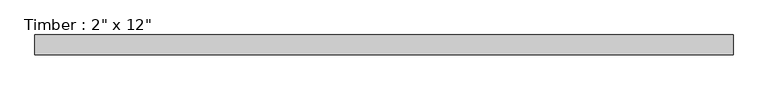
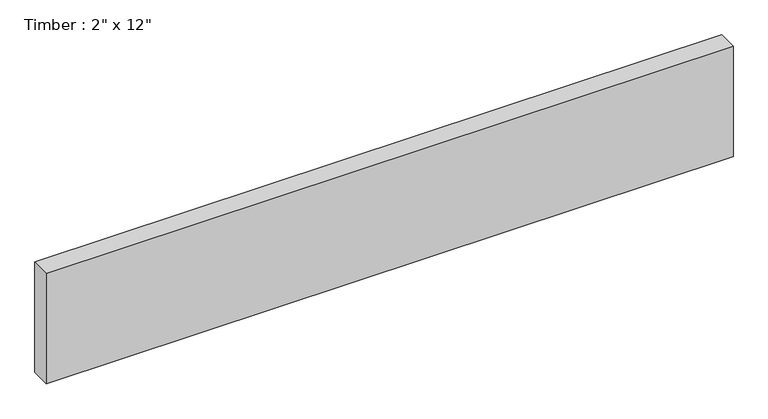
"""IFC4 building model written with IfcOpenShell, lengths in millimetres: beam geometry."""

from ifc_helpers import new_model, si_unit, frame, origin, place, context, project, spatial, polyline, outline, extrude, source, transform, mapped, element, save


def beam_4e08eb07(model_context):
    return source(origin(), model_context, "Body", "SweptSolid", [
        extrude(outline(polyline([(895.35, 25.4), (895.35, -25.4), (-895.35, -25.4), (-895.35, 25.4), (895.35, 25.4)])), frame((0.0, 0.0, -152.4), z_axis=(0.0, 0.0, 1.0), x_axis=(1.0, 0.0, 0.0)), (0.0, 0.0, 1.0), 304.8),
    ])


if __name__ == "__main__":
    model = new_model("IFC4")
    model_context = context("Model", 3, world=origin())
    ifc_project = project(units=[si_unit("LENGTHUNIT", "METRE", prefix="MILLI")], contexts=[model_context])
    site = spatial("IfcSite", under=ifc_project)
    building = spatial("IfcBuilding", under=site)
    placement = place(None, origin())
    beam_shape = beam_4e08eb07(model_context)
    element("IfcBeam", 1, ObjectType="Timber : 2\" x 12\"", at=placement, inside=building, context=model_context, shape_type="MappedRepresentation", body=[
        mapped(beam_shape, transform((0.0, 0.0, 0.0), x_axis=(1.0, 0.0, 0.0), y_axis=(0.0, 1.0, 0.0), z_axis=(0.0, 0.0, 1.0))),
    ])
    save(model, "model.ifc")
